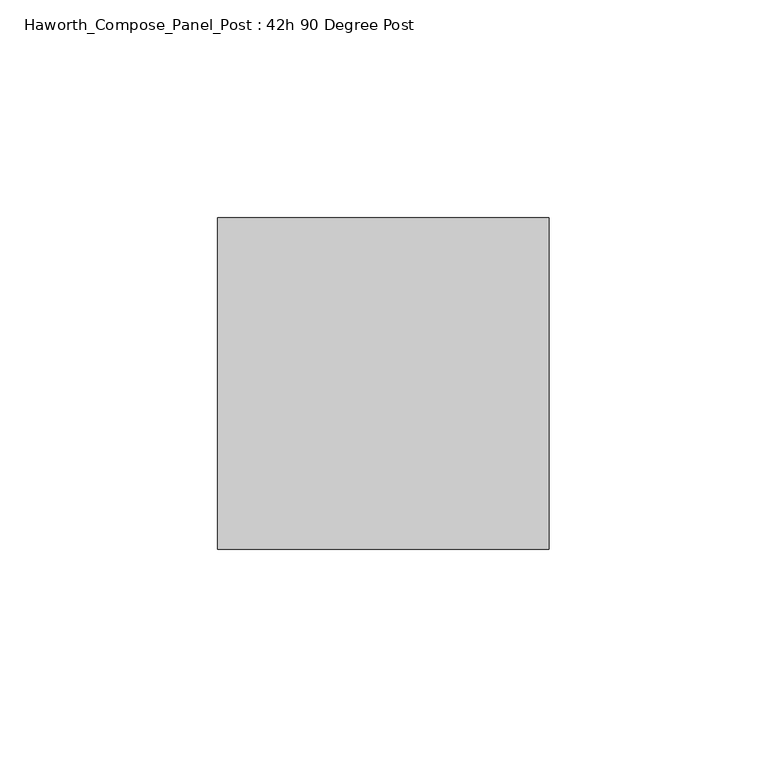
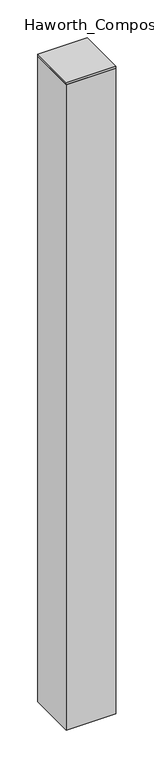
"""IFC4 building model written with IfcOpenShell, lengths in millimetres: furniture geometry, Haworth_Compose_Panel_Post : 42h 90 Degree Post."""

import ifcopenshell
import ifcopenshell.guid

model = None  # the IFC model being written
_history = None  # IfcOwnerHistory: only IFC2X3 demands one
_inside = {}  # id of a spatial element -> (the spatial element, [elements in it])
_under = {}  # id of a project, library or spatial element -> (it, [spatial elements below it])
_declared = {}  # id of a project -> (the project, [libraries it declares])
_typed = {}  # id of a type object -> (the type object, [elements of that type])
_made_of = {}  # id of a material, layer set ... -> (it, [elements and type objects made of it])


def new_model(schema):
    """Start an empty IFC model of exactly this schema.

    Asked for "IFC4X3", IfcOpenShell would pick the latest addendum, in which some entities
    have other attributes; the version numbers below select the first issue.
    IFC2X3 requires an IfcOwnerHistory on every rooted entity: one is made here for all.
    """
    global model, _history
    if schema == "IFC4X3":
        model = ifcopenshell.file(schema_version=(4, 3, 0, 0))
    else:
        model = ifcopenshell.file(schema=schema)
    _inside.clear()
    _under.clear()
    _declared.clear()
    _typed.clear()
    _made_of.clear()
    _history = None
    if model.schema == "IFC2X3":
        org = make("IfcOrganization", Name="unknown")
        user = make(
            "IfcPersonAndOrganization",
            ThePerson=make("IfcPerson", FamilyName="unknown"),
            TheOrganization=org,
        )
        app = make(
            "IfcApplication",
            ApplicationDeveloper=org,
            Version="unknown",
            ApplicationFullName="unknown",
            ApplicationIdentifier="unknown",
        )
        _history = make(
            "IfcOwnerHistory",
            OwningUser=user,
            OwningApplication=app,
            ChangeAction="ADDED",
            CreationDate=0,
        )
    return model


def make(cls, **values):
    """One entity of the class cls with the attributes given. An attribute that is None is left unset."""
    return model.create_entity(
        cls, **{name: value for name, value in values.items() if value is not None}
    )


def rooted(cls, **values):
    """An entity with a GlobalId (a new one), such as an element, a storey or a relation."""
    return make(cls, GlobalId=ifcopenshell.guid.new(), OwnerHistory=_history, **values)


def si_unit(unit_type, name, prefix=None):
    """IfcSIUnit, for example si_unit("LENGTHUNIT", "METRE", prefix="MILLI")."""
    return make("IfcSIUnit", UnitType=unit_type, Prefix=prefix, Name=name)


def assignment(units):
    """IfcUnitAssignment: the units of a project."""
    return None if units is None else make("IfcUnitAssignment", Units=units)


def point(xyz):
    """IfcCartesianPoint."""
    return None if xyz is None else make("IfcCartesianPoint", Coordinates=xyz)


def direction(xyz):
    """IfcDirection."""
    return None if xyz is None else make("IfcDirection", DirectionRatios=xyz)


def frame(location, z_axis=None, x_axis=None):
    """IfcAxis2Placement3D, a coordinate frame: its origin and axes. An axis left out is left unset."""
    return make(
        "IfcAxis2Placement3D",
        Location=point(location),
        Axis=direction(z_axis),
        RefDirection=direction(x_axis),
    )


def origin():
    """The frame at (0, 0, 0) with its axes left unset."""
    return frame((0.0, 0.0, 0.0))


def place(relative_to, where):
    """IfcLocalPlacement: puts the frame where relative to a parent placement (None: the world)."""
    return make(
        "IfcLocalPlacement", PlacementRelTo=relative_to, RelativePlacement=where
    )


def context(
    kind, dimensions, precision=None, world=None, true_north=None, identifier=None
):
    """IfcGeometricRepresentationContext, for example the 3D "Model" context."""
    return make(
        "IfcGeometricRepresentationContext",
        ContextIdentifier=identifier,
        ContextType=kind,
        CoordinateSpaceDimension=dimensions,
        Precision=precision,
        WorldCoordinateSystem=world,
        TrueNorth=true_north,
    )


def project(units=None, contexts=None):
    """IfcProject with its units and contexts."""
    return rooted(
        "IfcProject",
        Name="project",
        RepresentationContexts=contexts,
        UnitsInContext=assignment(units),
    )


def spatial(cls, under=None, at=None, **own):
    """A site, building, storey or space (cls), placed at a placement, below another one or the project."""
    s = rooted(cls, ObjectPlacement=at, **own)
    if under is not None:
        _under.setdefault(under.id(), (under, []))[1].append(s)
    return s


def polyline(points):
    """IfcPolyline through the points."""
    return make("IfcPolyline", Points=[point(p) for p in points])


def outline(outer, holes=None, kind="AREA"):
    """IfcArbitraryClosedProfileDef: a profile drawn as a closed curve; with holes, ...WithVoids."""
    if holes is None:
        return make("IfcArbitraryClosedProfileDef", ProfileType=kind, OuterCurve=outer)
    return make(
        "IfcArbitraryProfileDefWithVoids",
        ProfileType=kind,
        OuterCurve=outer,
        InnerCurves=holes,
    )


def extrude(swept, where, along, depth):
    """IfcExtrudedAreaSolid: the profile swept, set in the frame where, extruded along a direction by depth."""
    return make(
        "IfcExtrudedAreaSolid",
        SweptArea=swept,
        Position=where,
        ExtrudedDirection=direction(along),
        Depth=depth,
    )


def shape(context_of_items, identifier, shape_type, items):
    """IfcShapeRepresentation: the items that make up one representation, for example the "Body"."""
    return make(
        "IfcShapeRepresentation",
        ContextOfItems=context_of_items,
        RepresentationIdentifier=identifier,
        RepresentationType=shape_type,
        Items=items,
    )


def source(mapping_origin, context_of_items, identifier, shape_type, items):
    """IfcRepresentationMap: a shape defined once, which mapped items show again and again."""
    return make(
        "IfcRepresentationMap",
        MappingOrigin=mapping_origin,
        MappedRepresentation=shape(context_of_items, identifier, shape_type, items),
    )


def transform(
    local_origin,
    x_axis=None,
    y_axis=None,
    z_axis=None,
    scale=None,
    scale2=None,
    scale3=None,
    uniform=True,
):
    """IfcCartesianTransformationOperator3D, or its non-uniform kind. x_axis, y_axis, z_axis: its Axis1, 2, 3."""
    if uniform:
        return make(
            "IfcCartesianTransformationOperator3D",
            Axis1=direction(x_axis),
            Axis2=direction(y_axis),
            LocalOrigin=point(local_origin),
            Scale=scale,
            Axis3=direction(z_axis),
        )
    return make(
        "IfcCartesianTransformationOperator3DnonUniform",
        Axis1=direction(x_axis),
        Axis2=direction(y_axis),
        LocalOrigin=point(local_origin),
        Scale=scale,
        Axis3=direction(z_axis),
        Scale2=scale2,
        Scale3=scale3,
    )


def mapped(mapping_source, mapping_target):
    """IfcMappedItem: shows the shape of a source again, moved by a transform."""
    return make(
        "IfcMappedItem", MappingSource=mapping_source, MappingTarget=mapping_target
    )


def made_of(thing, what):
    """Note that an element or type object is made of a material, layer set ...; save() writes the relation."""
    if what is not None:
        _made_of.setdefault(what.id(), (what, []))[1].append(thing)
    return thing


def element(
    cls,
    number,
    at=None,
    inside=None,
    cuts=None,
    type_object=None,
    material=None,
    context=None,
    identifier="Body",
    shape_type=None,
    held_by="IfcProductDefinitionShape",
    body=None,
    shapes=None,
    **own,
):
    """One element of the class cls, such as IfcWall. Its Tag is "e" and its number.

    at: its placement. inside: the storey or other place that contains it. cuts: it is an
    opening in that element (IfcRelVoidsElement). A single representation is given by context,
    identifier, shape_type and body (its items); several are given by shapes. held_by: the class
    of the entity that holds the representations. save() writes the other relations.
    """
    e = rooted(cls, Tag="e%d" % number, ObjectPlacement=at, **own)
    if body is not None:
        shapes = [shape(context, identifier, shape_type, body)]
    if shapes is not None:
        e.Representation = make(held_by, Representations=shapes)
    if inside is not None:
        _inside.setdefault(inside.id(), (inside, []))[1].append(e)
    if cuts is not None:
        rooted(
            "IfcRelVoidsElement", RelatingBuildingElement=cuts, RelatedOpeningElement=e
        )
    if type_object is not None:
        _typed.setdefault(type_object.id(), (type_object, []))[1].append(e)
    return made_of(e, material)


def aggregate(whole, parts):
    """IfcRelAggregates: a whole, such as a stair, and the parts it consists of."""
    return rooted("IfcRelAggregates", RelatingObject=whole, RelatedObjects=parts)


def save(model, path):
    """Write the relations noted so far, then the file.

    IfcRelAggregates (storeys below a building ...), IfcRelContainedInSpatialStructure (elements
    in a storey), IfcRelDefinesByType, IfcRelAssociatesMaterial and IfcRelDeclares: one each for
    every whole, place, type object, material and project.
    """
    for whole, parts in _under.values():
        aggregate(whole, parts)
    for where, things in _inside.values():
        rooted(
            "IfcRelContainedInSpatialStructure",
            RelatedElements=things,
            RelatingStructure=where,
        )
    for kind, things in _typed.values():
        rooted("IfcRelDefinesByType", RelatedObjects=things, RelatingType=kind)
    for what, things in _made_of.values():
        rooted("IfcRelAssociatesMaterial", RelatedObjects=things, RelatingMaterial=what)
    for by, libraries in _declared.values():
        rooted("IfcRelDeclares", RelatingContext=by, RelatedDefinitions=libraries)
    model.write(path)


def haworth_compose_panel_post_42h_90_degree_post_03610c70(model_context):
    return source(origin(), model_context, "Body", "SweptSolid", [
        extrude(outline(polyline([(0.0, 38.1), (76.2, 38.1), (76.2, -38.1), (0.0, -38.1), (0.0, 38.1)])), frame((0.0, 0.0, 1060.45), z_axis=(0.0, 0.0, 1.0), x_axis=(1.0, 0.0, 0.0)), (0.0, 0.0, 1.0), 3.175),
        extrude(outline(polyline([(76.2, 38.1), (76.2, -38.1), (0.0, -38.1), (0.0, 38.1), (76.2, 38.1)])), frame((0.0, 0.0, 12.7), z_axis=(0.0, 0.0, 1.0), x_axis=(1.0, 0.0, 0.0)), (0.0, 0.0, 1.0), 1047.75),
    ])


if __name__ == "__main__":
    model = new_model("IFC4")
    model_context = context("Model", 3, world=origin())
    ifc_project = project(units=[si_unit("LENGTHUNIT", "METRE", prefix="MILLI")], contexts=[model_context])
    site = spatial("IfcSite", under=ifc_project)
    building = spatial("IfcBuilding", under=site)
    placement = place(None, origin())
    haworth_compose_panel_post_42h_90_degree_post_shape = haworth_compose_panel_post_42h_90_degree_post_03610c70(model_context)
    element("IfcFurniture", 1, ObjectType="Haworth_Compose_Panel_Post : 42h 90 Degree Post", at=placement, inside=building, context=model_context, shape_type="MappedRepresentation", body=[
        mapped(haworth_compose_panel_post_42h_90_degree_post_shape, transform((0.0, 0.0, 0.0), x_axis=(1.0, 0.0, 0.0), y_axis=(0.0, 1.0, 0.0), z_axis=(0.0, 0.0, 1.0))),
    ])
    save(model, "model.ifc")
